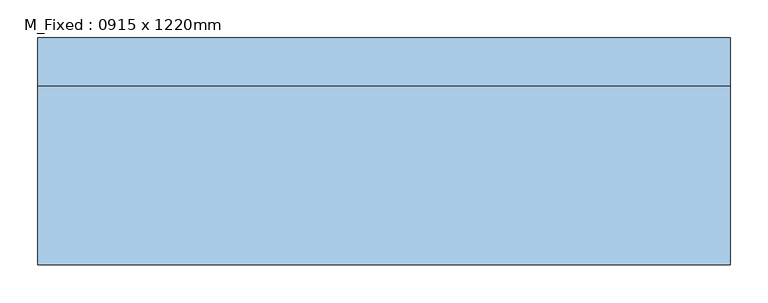
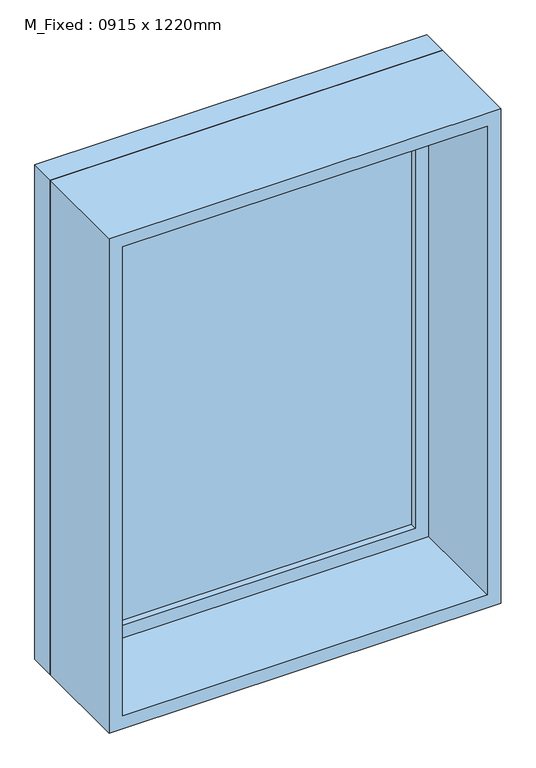
"""IFC4 building model written with IfcOpenShell, lengths in millimetres: window geometry, M_Fixed : 0915 x 1220mm."""

from ifc_helpers import new_model, si_unit, frame, origin, place, context, project, spatial, polyline, outline, extrude, source, transform, mapped, element, save


def m_fixed_0915_x_1220mm_50dbf9a6(model_context):
    return source(origin(), model_context, "Body", "SweptSolid", [
        extrude(outline(polyline([(-394.5, 128.0), (394.5, 128.0), (394.5, 116.0), (-394.5, 116.0), (-394.5, 128.0)])), frame((0.0, 0.0, 978.0), z_axis=(0.0, 0.0, 1.0), x_axis=(1.0, 0.0, 0.0)), (0.0, 0.0, 1.0), 1094.0),
        extrude(outline(polyline([(2116.0, -438.5), (934.0, -438.5), (934.0, 438.5), (2116.0, 438.5), (2116.0, -438.5)]), holes=[polyline([(2072.0, -394.5), (2072.0, 394.5), (978.0, 394.5), (978.0, -394.5), (2072.0, -394.5)])]), frame((0.0, 100.0, 0.0), z_axis=(0.0, 1.0, 0.0), x_axis=(0.0, 0.0, 1.0)), (0.0, 0.0, 1.0), 44.0),
        extrude(outline(polyline([(2135.0, -457.5), (915.0, -457.5), (915.0, 457.5), (2135.0, 457.5), (2135.0, -457.5)]), holes=[polyline([(2116.0, -438.5), (2116.0, 438.5), (934.0, 438.5), (934.0, -438.5), (2116.0, -438.5)])]), frame((0.0, 100.0, 0.0), z_axis=(0.0, 1.0, 0.0), x_axis=(0.0, 0.0, 1.0)), (0.0, 0.0, 1.0), 63.0),
        extrude(outline(polyline([(2135.0, -457.5), (915.0, -457.5), (915.0, 457.5), (2135.0, 457.5), (2135.0, -457.5)]), holes=[polyline([(2103.0, -425.5), (2103.0, 425.5), (947.0, 425.5), (947.0, -425.5), (2103.0, -425.5)])]), frame((0.0, -137.0, 0.0), z_axis=(0.0, 1.0, 0.0), x_axis=(0.0, 0.0, 1.0)), (0.0, 0.0, 1.0), 237.0),
    ])


if __name__ == "__main__":
    model = new_model("IFC4")
    model_context = context("Model", 3, world=origin())
    ifc_project = project(units=[si_unit("LENGTHUNIT", "METRE", prefix="MILLI")], contexts=[model_context])
    site = spatial("IfcSite", under=ifc_project)
    building = spatial("IfcBuilding", under=site)
    placement = place(None, origin())
    m_fixed_0915_x_1220mm_shape = m_fixed_0915_x_1220mm_50dbf9a6(model_context)
    element("IfcWindow", 1, ObjectType="M_Fixed : 0915 x 1220mm", at=placement, inside=building, context=model_context, shape_type="MappedRepresentation", body=[
        mapped(m_fixed_0915_x_1220mm_shape, transform((0.0, 0.0, 0.0), x_axis=(1.0, 0.0, 0.0), y_axis=(0.0, 1.0, 0.0), z_axis=(0.0, 0.0, 1.0))),
    ])
    save(model, "model.ifc")
